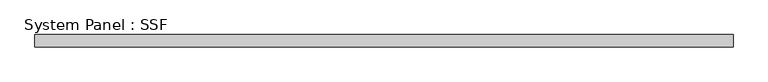
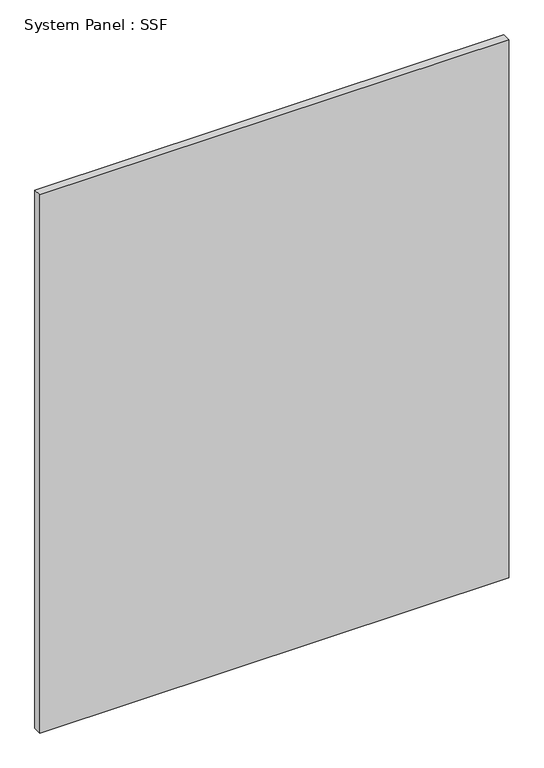
"""IFC4 building model written with IfcOpenShell, lengths in millimetres: plate geometry, System Panel : SSF."""

from ifc_helpers import new_model, si_unit, origin, origin_with_axes, place, context, project, spatial, polyline, outline, extrude, source, transform, mapped, element, save


def system_panel_ssf_1078826c(model_context):
    return source(origin(), model_context, "Body", "SweptSolid", [
        extrude(outline(polyline([(719.93125, -43.65625), (-719.93125, -43.65625), (-719.93125, -18.25625), (719.93125, -18.25625), (719.93125, -43.65625)])), origin_with_axes(), (0.0, 0.0, 1.0), 1746.25),
    ])


if __name__ == "__main__":
    model = new_model("IFC4")
    model_context = context("Model", 3, world=origin())
    ifc_project = project(units=[si_unit("LENGTHUNIT", "METRE", prefix="MILLI")], contexts=[model_context])
    site = spatial("IfcSite", under=ifc_project)
    building = spatial("IfcBuilding", under=site)
    placement = place(None, origin())
    system_panel_ssf_shape = system_panel_ssf_1078826c(model_context)
    element("IfcPlate", 1, ObjectType="System Panel : SSF", at=placement, inside=building, context=model_context, shape_type="MappedRepresentation", body=[
        mapped(system_panel_ssf_shape, transform((0.0, 0.0, 0.0), x_axis=(1.0, 0.0, 0.0), y_axis=(0.0, 1.0, 0.0), z_axis=(0.0, 0.0, 1.0))),
    ])
    save(model, "model.ifc")
